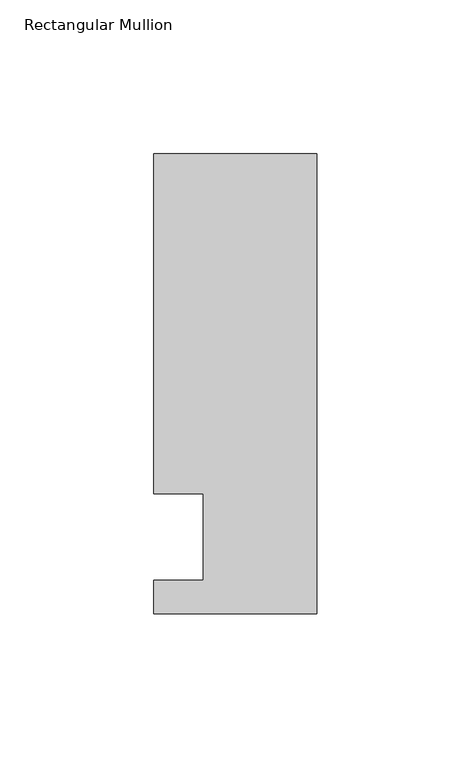
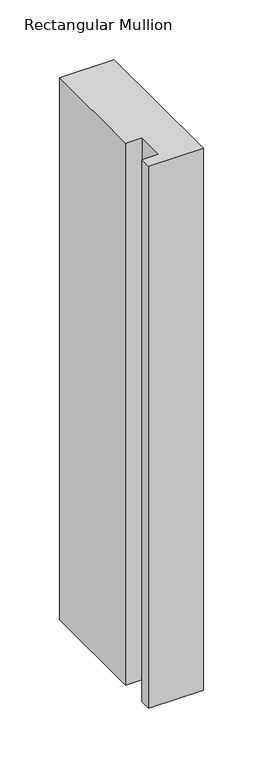
"""IFC4 building model written with IfcOpenShell, lengths in millimetres: member geometry, Rectangular Mullion."""

from ifc_helpers import new_model, si_unit, frame, origin, place, context, project, spatial, polyline, outline, extrude, source, transform, mapped, element, save


def rectangular_mullion_abc7ffc9(model_context):
    return source(origin(), model_context, "Body", "SweptSolid", [
        extrude(outline(polyline([(-37.0, -13.9999453), (-37.0, 14.0000547), (-53.0, 14.0000547), (-53.0, 124.5000547), (0.0, 124.5000547), (0.0, -24.9999453), (-53.0, -24.9999453), (-53.0, -13.9999453), (-37.0, -13.9999453)])), frame((0.0, 0.0, -554.7727593), z_axis=(0.0, 0.0, 1.0), x_axis=(1.0, 0.0, 0.0)), (0.0, 0.0, 1.0), 554.7727593),
    ])


if __name__ == "__main__":
    model = new_model("IFC4")
    model_context = context("Model", 3, world=origin())
    ifc_project = project(units=[si_unit("LENGTHUNIT", "METRE", prefix="MILLI")], contexts=[model_context])
    site = spatial("IfcSite", under=ifc_project)
    building = spatial("IfcBuilding", under=site)
    placement = place(None, origin())
    rectangular_mullion_shape = rectangular_mullion_abc7ffc9(model_context)
    element("IfcMember", 1, ObjectType="Rectangular Mullion", at=placement, inside=building, context=model_context, shape_type="MappedRepresentation", body=[
        mapped(rectangular_mullion_shape, transform((0.0, 0.0, 0.0), x_axis=(1.0, 0.0, 0.0), y_axis=(0.0, 1.0, 0.0), z_axis=(0.0, 0.0, 1.0))),
    ])
    save(model, "model.ifc")
